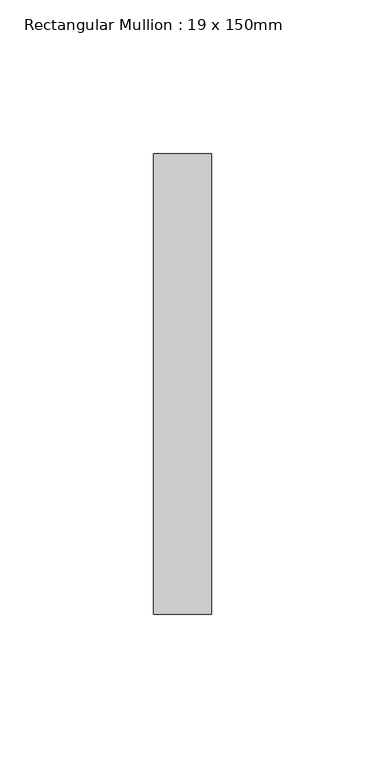
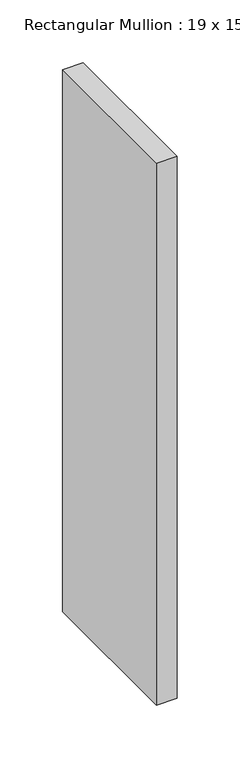
"""IFC4 building model written with IfcOpenShell, lengths in millimetres: member geometry, Rectangular Mullion : 19 x 150mm."""

from ifc_helpers import new_model, si_unit, frame, origin, place, context, project, spatial, polyline, outline, extrude, source, transform, mapped, element, save


def rectangular_mullion_19_x_150mm_37a0304d(model_context):
    return source(origin(), model_context, "Body", "SweptSolid", [
        extrude(outline(polyline([(0.0, -25.0), (0.0, -175.0), (-19.0, -175.0), (-19.0, -25.0), (0.0, -25.0)])), frame((0.0, 0.0, -527.5000463), z_axis=(0.0, 0.0, 1.0), x_axis=(1.0, 0.0, 0.0)), (0.0, 0.0, 1.0), 527.5000463),
    ])


if __name__ == "__main__":
    model = new_model("IFC4")
    model_context = context("Model", 3, world=origin())
    ifc_project = project(units=[si_unit("LENGTHUNIT", "METRE", prefix="MILLI")], contexts=[model_context])
    site = spatial("IfcSite", under=ifc_project)
    building = spatial("IfcBuilding", under=site)
    placement = place(None, origin())
    rectangular_mullion_19_x_150mm_shape = rectangular_mullion_19_x_150mm_37a0304d(model_context)
    element("IfcMember", 1, ObjectType="Rectangular Mullion : 19 x 150mm", at=placement, inside=building, context=model_context, shape_type="MappedRepresentation", body=[
        mapped(rectangular_mullion_19_x_150mm_shape, transform((0.0, 0.0, 0.0), x_axis=(1.0, 0.0, 0.0), y_axis=(0.0, 1.0, 0.0), z_axis=(0.0, 0.0, 1.0))),
    ])
    save(model, "model.ifc")
